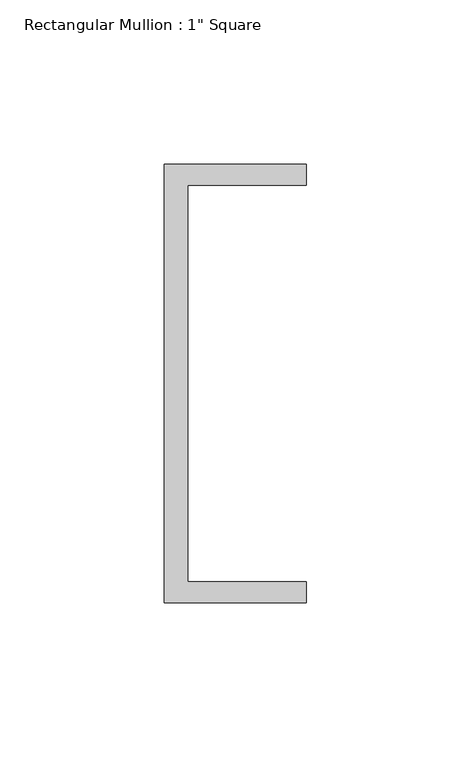
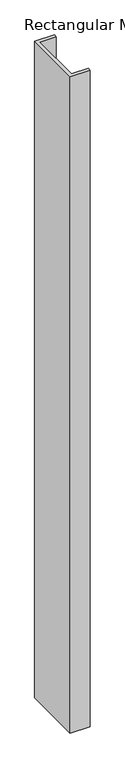
"""IFC4 building model written with IfcOpenShell, lengths in millimetres: member geometry."""

from ifc_helpers import new_model, si_unit, frame, origin, place, context, project, spatial, polyline, outline, extrude, source, transform, mapped, element, save


def member_6aab6d2e(model_context):
    return source(origin(), model_context, "Body", "SweptSolid", [
        extrude(outline(polyline([(-18.6549463, 135.2608739), (24.5675083, 135.2608739), (24.5675083, 128.9108739), (-11.6110886, 128.9108739), (-11.6110886, 8.2608739), (24.5675083, 8.2608739), (24.5675083, 1.9108739), (-18.6549463, 1.9108739), (-18.6549463, 135.2608739)])), frame((0.0, 0.0, -1507.3064534), z_axis=(0.0, 0.0, 1.0), x_axis=(1.0, 0.0, 0.0)), (0.0, 0.0, 1.0), 1507.3064534),
    ])


if __name__ == "__main__":
    model = new_model("IFC4")
    model_context = context("Model", 3, world=origin())
    ifc_project = project(units=[si_unit("LENGTHUNIT", "METRE", prefix="MILLI")], contexts=[model_context])
    site = spatial("IfcSite", under=ifc_project)
    building = spatial("IfcBuilding", under=site)
    placement = place(None, origin())
    member_shape = member_6aab6d2e(model_context)
    element("IfcMember", 1, ObjectType="Rectangular Mullion : 1\" Square", at=placement, inside=building, context=model_context, shape_type="MappedRepresentation", body=[
        mapped(member_shape, transform((0.0, 0.0, 0.0), x_axis=(1.0, 0.0, 0.0), y_axis=(0.0, 1.0, 0.0), z_axis=(0.0, 0.0, 1.0))),
    ])
    save(model, "model.ifc")
